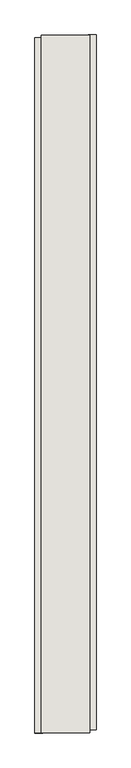
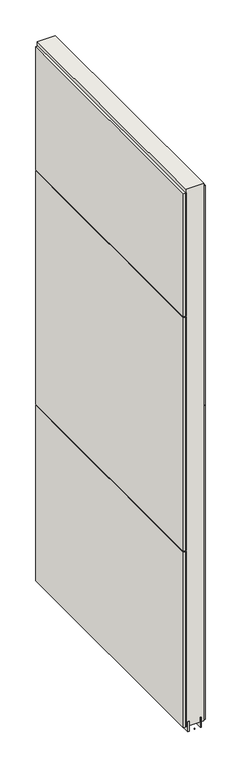
"""IFC4 building model written with IfcOpenShell, lengths in millimetres: wall geometry."""

from ifc_helpers import new_model, si_unit, frame, origin, place, context, project, spatial, polyline, outline, extrude, source, transform, mapped, element, save


def wall_0e7f48e5(model_context):
    return source(origin(), model_context, "Body", "SweptSolid", [
        extrude(outline(polyline([(73433.342211, -56936.1389342), (73433.342211, -56933.5989342), (73435.882211, -56933.5989342), (73435.882211, -56936.1389342), (73433.342211, -56936.1389342)])), frame((0.0, 0.0, 4419.6), z_axis=(0.0, 0.0, 1.0), x_axis=(1.0, 0.0, 0.0)), (0.0, 0.0, 1.0), 2.54),
        extrude(outline(polyline([(73485.412211, -55777.0910745), (73485.412211, -56931.6758367), (73472.712211, -56931.6758367), (73472.712211, -55777.0910745), (73485.412211, -55777.0910745)])), frame((0.0, 0.0, 5945.6000722), z_axis=(0.0, 0.0, 1.0), x_axis=(1.0, 0.0, 0.0)), (0.0, 0.0, 1.0), 1044.449905),
        extrude(outline(polyline([(73485.412211, -55777.0910745), (73485.412211, -56931.6758367), (73472.712211, -56931.6758367), (73472.712211, -55777.0910745), (73485.412211, -55777.0910745)])), frame((0.0, 0.0, 4445.0), z_axis=(0.0, 0.0, 1.0), x_axis=(1.0, 0.0, 0.0)), (0.0, 0.0, 1.0), 1496.600004),
        extrude(outline(polyline([(73383.812211, -56936.6057481), (73383.812211, -55782.0209859), (73396.512211, -55782.0209859), (73396.512211, -56936.6057481), (73383.812211, -56936.6057481)])), frame((0.0, 0.0, 6402.8000722), z_axis=(0.0, 0.0, 1.0), x_axis=(1.0, 0.0, 0.0)), (0.0, 0.0, 1.0), 587.2498034),
        extrude(outline(polyline([(73383.812211, -56936.6057481), (73383.812211, -55782.0209859), (73396.512211, -55782.0209859), (73396.512211, -56936.6057481), (73383.812211, -56936.6057481)])), frame((0.0, 0.0, 5285.2000722), z_axis=(0.0, 0.0, 1.0), x_axis=(1.0, 0.0, 0.0)), (0.0, 0.0, 1.0), 1113.5999572),
        extrude(outline(polyline([(73383.812211, -56936.6057481), (73383.812211, -55782.0209859), (73396.512211, -55782.0209859), (73396.512211, -56936.6057481), (73383.812211, -56936.6057481)])), frame((0.0, 0.0, 4445.0), z_axis=(0.0, 0.0, 1.0), x_axis=(1.0, 0.0, 0.0)), (0.0, 0.0, 1.0), 836.200004),
        extrude(outline(polyline([(73459.6959556, -56936.1339812), (73459.6959556, -55777.5628414), (73464.774711, -55777.5628414), (73464.774711, -56936.1339812), (73459.6959556, -56936.1339812)])), frame((0.0, 0.0, 4418.6602), z_axis=(0.0, 0.0, 1.0), x_axis=(1.0, 0.0, 0.0)), (0.0, 0.0, 1.0), 47.625),
        extrude(outline(polyline([(73459.6959556, -56936.1339812), (73459.6959556, -55777.5628414), (73464.774711, -55777.5628414), (73464.774711, -56936.1339812), (73459.6959556, -56936.1339812)])), frame((0.0, 0.0, 4418.6602), z_axis=(0.0, 0.0, 1.0), x_axis=(1.0, 0.0, 0.0)), (0.0, 0.0, 1.0), 47.625),
        extrude(outline(polyline([(73409.5284664, -55777.5628414), (73409.5284664, -56936.1339812), (73404.449711, -56936.1339812), (73404.449711, -55777.5628414), (73409.5284664, -55777.5628414)])), frame((0.0, 0.0, 4418.6602), z_axis=(0.0, 0.0, 1.0), x_axis=(1.0, 0.0, 0.0)), (0.0, 0.0, 1.0), 47.625),
        extrude(outline(polyline([(73409.5284664, -55777.5628414), (73409.5284664, -56936.1339812), (73404.449711, -56936.1339812), (73404.449711, -55777.5628414), (73409.5284664, -55777.5628414)])), frame((0.0, 0.0, 4418.6602), z_axis=(0.0, 0.0, 1.0), x_axis=(1.0, 0.0, 0.0)), (0.0, 0.0, 1.0), 47.625),
        extrude(outline(polyline([(73475.2670954, -56936.158797), (73393.9573266, -56936.158797), (73393.9573266, -55777.5628414), (73475.2670954, -55777.5628414), (73475.2670954, -56936.158797)])), frame((0.0, 0.0, 4445.0), z_axis=(0.0, 0.0, 1.0), x_axis=(1.0, 0.0, 0.0)), (0.0, 0.0, 1.0), 2562.4536762),
    ])


if __name__ == "__main__":
    model = new_model("IFC4")
    model_context = context("Model", 3, world=origin())
    ifc_project = project(units=[si_unit("LENGTHUNIT", "METRE", prefix="MILLI")], contexts=[model_context])
    site = spatial("IfcSite", under=ifc_project)
    building = spatial("IfcBuilding", under=site)
    placement = place(None, origin())
    wall_shape = wall_0e7f48e5(model_context)
    element("IfcWall", 1, at=placement, inside=building, context=model_context, shape_type="MappedRepresentation", body=[
        mapped(wall_shape, transform((0.0, 0.0, 0.0), x_axis=(1.0, 0.0, 0.0), y_axis=(0.0, 1.0, 0.0), z_axis=(0.0, 0.0, 1.0))),
    ])
    save(model, "model.ifc")
